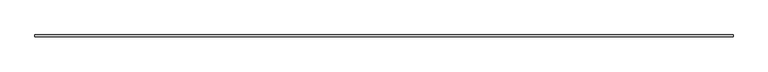
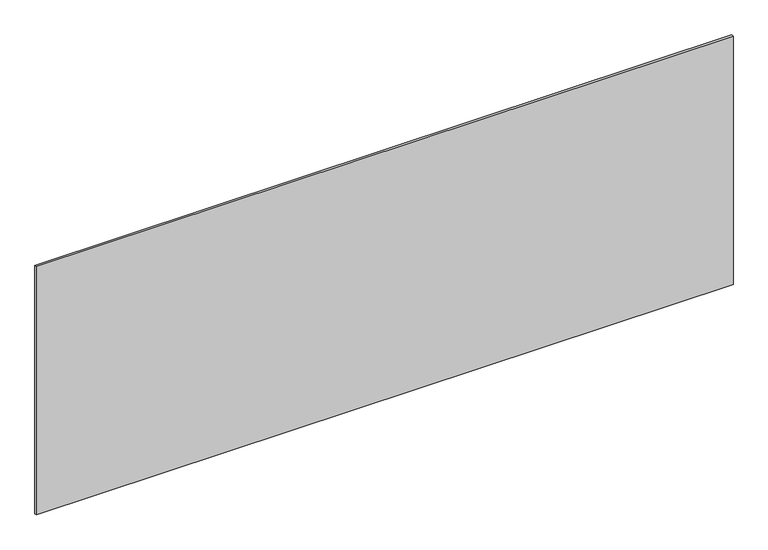
"""IFC4 building model written with IfcOpenShell, lengths in millimetres: plate geometry."""

import ifcopenshell
import ifcopenshell.guid

model = None  # the IFC model being written
_history = None  # IfcOwnerHistory: only IFC2X3 demands one
_inside = {}  # id of a spatial element -> (the spatial element, [elements in it])
_under = {}  # id of a project, library or spatial element -> (it, [spatial elements below it])
_declared = {}  # id of a project -> (the project, [libraries it declares])
_typed = {}  # id of a type object -> (the type object, [elements of that type])
_made_of = {}  # id of a material, layer set ... -> (it, [elements and type objects made of it])


def new_model(schema):
    """Start an empty IFC model of exactly this schema.

    Asked for "IFC4X3", IfcOpenShell would pick the latest addendum, in which some entities
    have other attributes; the version numbers below select the first issue.
    IFC2X3 requires an IfcOwnerHistory on every rooted entity: one is made here for all.
    """
    global model, _history
    if schema == "IFC4X3":
        model = ifcopenshell.file(schema_version=(4, 3, 0, 0))
    else:
        model = ifcopenshell.file(schema=schema)
    _inside.clear()
    _under.clear()
    _declared.clear()
    _typed.clear()
    _made_of.clear()
    _history = None
    if model.schema == "IFC2X3":
        org = make("IfcOrganization", Name="unknown")
        user = make(
            "IfcPersonAndOrganization",
            ThePerson=make("IfcPerson", FamilyName="unknown"),
            TheOrganization=org,
        )
        app = make(
            "IfcApplication",
            ApplicationDeveloper=org,
            Version="unknown",
            ApplicationFullName="unknown",
            ApplicationIdentifier="unknown",
        )
        _history = make(
            "IfcOwnerHistory",
            OwningUser=user,
            OwningApplication=app,
            ChangeAction="ADDED",
            CreationDate=0,
        )
    return model


def make(cls, **values):
    """One entity of the class cls with the attributes given. An attribute that is None is left unset."""
    return model.create_entity(
        cls, **{name: value for name, value in values.items() if value is not None}
    )


def rooted(cls, **values):
    """An entity with a GlobalId (a new one), such as an element, a storey or a relation."""
    return make(cls, GlobalId=ifcopenshell.guid.new(), OwnerHistory=_history, **values)


def si_unit(unit_type, name, prefix=None):
    """IfcSIUnit, for example si_unit("LENGTHUNIT", "METRE", prefix="MILLI")."""
    return make("IfcSIUnit", UnitType=unit_type, Prefix=prefix, Name=name)


def assignment(units):
    """IfcUnitAssignment: the units of a project."""
    return None if units is None else make("IfcUnitAssignment", Units=units)


def point(xyz):
    """IfcCartesianPoint."""
    return None if xyz is None else make("IfcCartesianPoint", Coordinates=xyz)


def direction(xyz):
    """IfcDirection."""
    return None if xyz is None else make("IfcDirection", DirectionRatios=xyz)


def frame(location, z_axis=None, x_axis=None):
    """IfcAxis2Placement3D, a coordinate frame: its origin and axes. An axis left out is left unset."""
    return make(
        "IfcAxis2Placement3D",
        Location=point(location),
        Axis=direction(z_axis),
        RefDirection=direction(x_axis),
    )


def origin():
    """The frame at (0, 0, 0) with its axes left unset."""
    return frame((0.0, 0.0, 0.0))


def origin_with_axes():
    """The frame at (0, 0, 0) with the z axis (0, 0, 1) and the x axis (1, 0, 0) written out."""
    return frame((0.0, 0.0, 0.0), z_axis=(0.0, 0.0, 1.0), x_axis=(1.0, 0.0, 0.0))


def place(relative_to, where):
    """IfcLocalPlacement: puts the frame where relative to a parent placement (None: the world)."""
    return make(
        "IfcLocalPlacement", PlacementRelTo=relative_to, RelativePlacement=where
    )


def context(
    kind, dimensions, precision=None, world=None, true_north=None, identifier=None
):
    """IfcGeometricRepresentationContext, for example the 3D "Model" context."""
    return make(
        "IfcGeometricRepresentationContext",
        ContextIdentifier=identifier,
        ContextType=kind,
        CoordinateSpaceDimension=dimensions,
        Precision=precision,
        WorldCoordinateSystem=world,
        TrueNorth=true_north,
    )


def project(units=None, contexts=None):
    """IfcProject with its units and contexts."""
    return rooted(
        "IfcProject",
        Name="project",
        RepresentationContexts=contexts,
        UnitsInContext=assignment(units),
    )


def spatial(cls, under=None, at=None, **own):
    """A site, building, storey or space (cls), placed at a placement, below another one or the project."""
    s = rooted(cls, ObjectPlacement=at, **own)
    if under is not None:
        _under.setdefault(under.id(), (under, []))[1].append(s)
    return s


def polyline(points):
    """IfcPolyline through the points."""
    return make("IfcPolyline", Points=[point(p) for p in points])


def outline(outer, holes=None, kind="AREA"):
    """IfcArbitraryClosedProfileDef: a profile drawn as a closed curve; with holes, ...WithVoids."""
    if holes is None:
        return make("IfcArbitraryClosedProfileDef", ProfileType=kind, OuterCurve=outer)
    return make(
        "IfcArbitraryProfileDefWithVoids",
        ProfileType=kind,
        OuterCurve=outer,
        InnerCurves=holes,
    )


def extrude(swept, where, along, depth):
    """IfcExtrudedAreaSolid: the profile swept, set in the frame where, extruded along a direction by depth."""
    return make(
        "IfcExtrudedAreaSolid",
        SweptArea=swept,
        Position=where,
        ExtrudedDirection=direction(along),
        Depth=depth,
    )


def shape(context_of_items, identifier, shape_type, items):
    """IfcShapeRepresentation: the items that make up one representation, for example the "Body"."""
    return make(
        "IfcShapeRepresentation",
        ContextOfItems=context_of_items,
        RepresentationIdentifier=identifier,
        RepresentationType=shape_type,
        Items=items,
    )


def source(mapping_origin, context_of_items, identifier, shape_type, items):
    """IfcRepresentationMap: a shape defined once, which mapped items show again and again."""
    return make(
        "IfcRepresentationMap",
        MappingOrigin=mapping_origin,
        MappedRepresentation=shape(context_of_items, identifier, shape_type, items),
    )


def transform(
    local_origin,
    x_axis=None,
    y_axis=None,
    z_axis=None,
    scale=None,
    scale2=None,
    scale3=None,
    uniform=True,
):
    """IfcCartesianTransformationOperator3D, or its non-uniform kind. x_axis, y_axis, z_axis: its Axis1, 2, 3."""
    if uniform:
        return make(
            "IfcCartesianTransformationOperator3D",
            Axis1=direction(x_axis),
            Axis2=direction(y_axis),
            LocalOrigin=point(local_origin),
            Scale=scale,
            Axis3=direction(z_axis),
        )
    return make(
        "IfcCartesianTransformationOperator3DnonUniform",
        Axis1=direction(x_axis),
        Axis2=direction(y_axis),
        LocalOrigin=point(local_origin),
        Scale=scale,
        Axis3=direction(z_axis),
        Scale2=scale2,
        Scale3=scale3,
    )


def mapped(mapping_source, mapping_target):
    """IfcMappedItem: shows the shape of a source again, moved by a transform."""
    return make(
        "IfcMappedItem", MappingSource=mapping_source, MappingTarget=mapping_target
    )


def made_of(thing, what):
    """Note that an element or type object is made of a material, layer set ...; save() writes the relation."""
    if what is not None:
        _made_of.setdefault(what.id(), (what, []))[1].append(thing)
    return thing


def element(
    cls,
    number,
    at=None,
    inside=None,
    cuts=None,
    type_object=None,
    material=None,
    context=None,
    identifier="Body",
    shape_type=None,
    held_by="IfcProductDefinitionShape",
    body=None,
    shapes=None,
    **own,
):
    """One element of the class cls, such as IfcWall. Its Tag is "e" and its number.

    at: its placement. inside: the storey or other place that contains it. cuts: it is an
    opening in that element (IfcRelVoidsElement). A single representation is given by context,
    identifier, shape_type and body (its items); several are given by shapes. held_by: the class
    of the entity that holds the representations. save() writes the other relations.
    """
    e = rooted(cls, Tag="e%d" % number, ObjectPlacement=at, **own)
    if body is not None:
        shapes = [shape(context, identifier, shape_type, body)]
    if shapes is not None:
        e.Representation = make(held_by, Representations=shapes)
    if inside is not None:
        _inside.setdefault(inside.id(), (inside, []))[1].append(e)
    if cuts is not None:
        rooted(
            "IfcRelVoidsElement", RelatingBuildingElement=cuts, RelatedOpeningElement=e
        )
    if type_object is not None:
        _typed.setdefault(type_object.id(), (type_object, []))[1].append(e)
    return made_of(e, material)


def aggregate(whole, parts):
    """IfcRelAggregates: a whole, such as a stair, and the parts it consists of."""
    return rooted("IfcRelAggregates", RelatingObject=whole, RelatedObjects=parts)


def save(model, path):
    """Write the relations noted so far, then the file.

    IfcRelAggregates (storeys below a building ...), IfcRelContainedInSpatialStructure (elements
    in a storey), IfcRelDefinesByType, IfcRelAssociatesMaterial and IfcRelDeclares: one each for
    every whole, place, type object, material and project.
    """
    for whole, parts in _under.values():
        aggregate(whole, parts)
    for where, things in _inside.values():
        rooted(
            "IfcRelContainedInSpatialStructure",
            RelatedElements=things,
            RelatingStructure=where,
        )
    for kind, things in _typed.values():
        rooted("IfcRelDefinesByType", RelatedObjects=things, RelatingType=kind)
    for what, things in _made_of.values():
        rooted("IfcRelAssociatesMaterial", RelatedObjects=things, RelatingMaterial=what)
    for by, libraries in _declared.values():
        rooted("IfcRelDeclares", RelatingContext=by, RelatedDefinitions=libraries)
    model.write(path)


def plate_a27c503f(model_context):
    return source(origin(), model_context, "Body", "SweptSolid", [
        extrude(outline(polyline([(1715.0, -5.0), (-1715.0, -5.0), (-1715.0, 5.0), (1715.0, 5.0), (1715.0, -5.0)])), origin_with_axes(), (0.0, 0.0, 1.0), 1293.3001073),
    ])


if __name__ == "__main__":
    model = new_model("IFC4")
    model_context = context("Model", 3, world=origin())
    ifc_project = project(units=[si_unit("LENGTHUNIT", "METRE", prefix="MILLI")], contexts=[model_context])
    site = spatial("IfcSite", under=ifc_project)
    building = spatial("IfcBuilding", under=site)
    placement = place(None, origin())
    plate_shape = plate_a27c503f(model_context)
    element("IfcPlate", 1, at=placement, inside=building, context=model_context, shape_type="MappedRepresentation", body=[
        mapped(plate_shape, transform((0.0, 0.0, 0.0), x_axis=(1.0, 0.0, 0.0), y_axis=(0.0, 1.0, 0.0), z_axis=(0.0, 0.0, 1.0))),
    ])
    save(model, "model.ifc")
